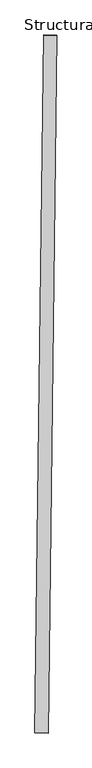
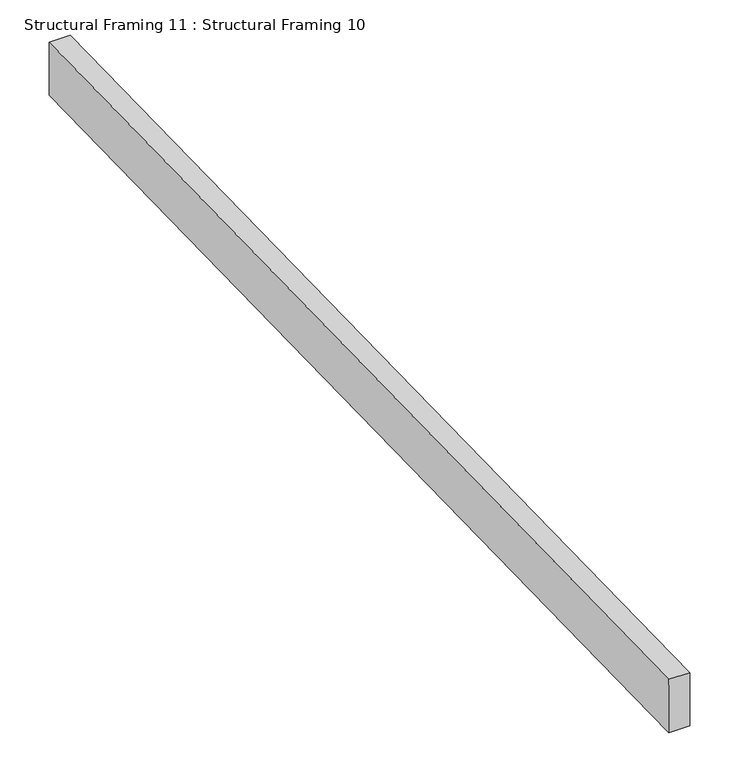
"""IFC4 building model written with IfcOpenShell, lengths in millimetres: beam geometry, Structural Framing 11 : Structural Framing 10."""

from ifc_helpers import new_model, si_unit, frame, origin, place, context, project, spatial, polyline, outline, extrude, source, transform, mapped, element, save


def structural_framing_11_structural_framing_10_715025e3(model_context):
    return source(origin(), model_context, "Body", "SweptSolid", [
        extrude(outline(polyline([(0.0, -1797.8168272), (0.0, 0.0), (33.960043, 0.0), (33.9600431, -1797.8168272), (0.0, -1797.8168272)])), frame((-40823.1295446, 34795.9863057, 110595.2802945), z_axis=(-4.0027356344356835e-05, -0.0031594828751153412, 0.9999950080204264), x_axis=(0.999919758408704, -0.012667941580195227, 0.0)), (0.0, 0.0, 1.0), 91.9956566),
    ])


if __name__ == "__main__":
    model = new_model("IFC4")
    model_context = context("Model", 3, world=origin())
    ifc_project = project(units=[si_unit("LENGTHUNIT", "METRE", prefix="MILLI")], contexts=[model_context])
    site = spatial("IfcSite", under=ifc_project)
    building = spatial("IfcBuilding", under=site)
    placement = place(None, origin())
    structural_framing_11_structural_framing_10_shape = structural_framing_11_structural_framing_10_715025e3(model_context)
    element("IfcBeam", 1, ObjectType="Structural Framing 11 : Structural Framing 10", at=placement, inside=building, context=model_context, shape_type="MappedRepresentation", body=[
        mapped(structural_framing_11_structural_framing_10_shape, transform((0.0, 0.0, 0.0), x_axis=(1.0, 0.0, 0.0), y_axis=(0.0, 1.0, 0.0), z_axis=(0.0, 0.0, 1.0))),
    ])
    save(model, "model.ifc")
